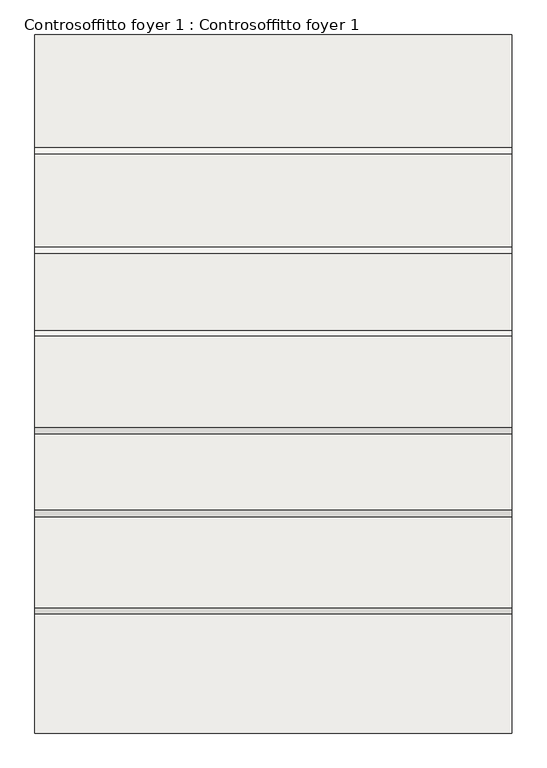
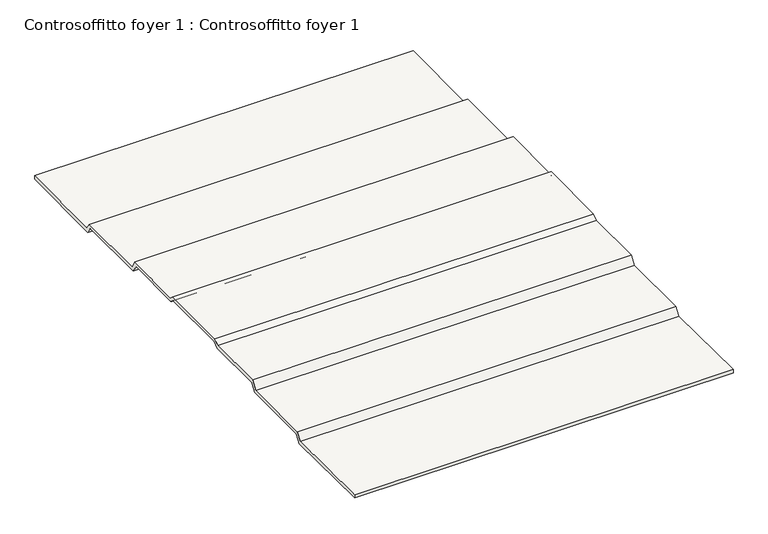
"""IFC4 building model written with IfcOpenShell, lengths in millimetres: slab geometry, Controsoffitto foyer 1 : Controsoffitto foyer 1."""

import ifcopenshell
import ifcopenshell.guid

model = None  # the IFC model being written
_history = None  # IfcOwnerHistory: only IFC2X3 demands one
_inside = {}  # id of a spatial element -> (the spatial element, [elements in it])
_under = {}  # id of a project, library or spatial element -> (it, [spatial elements below it])
_declared = {}  # id of a project -> (the project, [libraries it declares])
_typed = {}  # id of a type object -> (the type object, [elements of that type])
_made_of = {}  # id of a material, layer set ... -> (it, [elements and type objects made of it])


def new_model(schema):
    """Start an empty IFC model of exactly this schema.

    Asked for "IFC4X3", IfcOpenShell would pick the latest addendum, in which some entities
    have other attributes; the version numbers below select the first issue.
    IFC2X3 requires an IfcOwnerHistory on every rooted entity: one is made here for all.
    """
    global model, _history
    if schema == "IFC4X3":
        model = ifcopenshell.file(schema_version=(4, 3, 0, 0))
    else:
        model = ifcopenshell.file(schema=schema)
    _inside.clear()
    _under.clear()
    _declared.clear()
    _typed.clear()
    _made_of.clear()
    _history = None
    if model.schema == "IFC2X3":
        org = make("IfcOrganization", Name="unknown")
        user = make(
            "IfcPersonAndOrganization",
            ThePerson=make("IfcPerson", FamilyName="unknown"),
            TheOrganization=org,
        )
        app = make(
            "IfcApplication",
            ApplicationDeveloper=org,
            Version="unknown",
            ApplicationFullName="unknown",
            ApplicationIdentifier="unknown",
        )
        _history = make(
            "IfcOwnerHistory",
            OwningUser=user,
            OwningApplication=app,
            ChangeAction="ADDED",
            CreationDate=0,
        )
    return model


def make(cls, **values):
    """One entity of the class cls with the attributes given. An attribute that is None is left unset."""
    return model.create_entity(
        cls, **{name: value for name, value in values.items() if value is not None}
    )


def rooted(cls, **values):
    """An entity with a GlobalId (a new one), such as an element, a storey or a relation."""
    return make(cls, GlobalId=ifcopenshell.guid.new(), OwnerHistory=_history, **values)


def si_unit(unit_type, name, prefix=None):
    """IfcSIUnit, for example si_unit("LENGTHUNIT", "METRE", prefix="MILLI")."""
    return make("IfcSIUnit", UnitType=unit_type, Prefix=prefix, Name=name)


def assignment(units):
    """IfcUnitAssignment: the units of a project."""
    return None if units is None else make("IfcUnitAssignment", Units=units)


def point(xyz):
    """IfcCartesianPoint."""
    return None if xyz is None else make("IfcCartesianPoint", Coordinates=xyz)


def direction(xyz):
    """IfcDirection."""
    return None if xyz is None else make("IfcDirection", DirectionRatios=xyz)


def frame(location, z_axis=None, x_axis=None):
    """IfcAxis2Placement3D, a coordinate frame: its origin and axes. An axis left out is left unset."""
    return make(
        "IfcAxis2Placement3D",
        Location=point(location),
        Axis=direction(z_axis),
        RefDirection=direction(x_axis),
    )


def origin():
    """The frame at (0, 0, 0) with its axes left unset."""
    return frame((0.0, 0.0, 0.0))


def place(relative_to, where):
    """IfcLocalPlacement: puts the frame where relative to a parent placement (None: the world)."""
    return make(
        "IfcLocalPlacement", PlacementRelTo=relative_to, RelativePlacement=where
    )


def context(
    kind, dimensions, precision=None, world=None, true_north=None, identifier=None
):
    """IfcGeometricRepresentationContext, for example the 3D "Model" context."""
    return make(
        "IfcGeometricRepresentationContext",
        ContextIdentifier=identifier,
        ContextType=kind,
        CoordinateSpaceDimension=dimensions,
        Precision=precision,
        WorldCoordinateSystem=world,
        TrueNorth=true_north,
    )


def project(units=None, contexts=None):
    """IfcProject with its units and contexts."""
    return rooted(
        "IfcProject",
        Name="project",
        RepresentationContexts=contexts,
        UnitsInContext=assignment(units),
    )


def spatial(cls, under=None, at=None, **own):
    """A site, building, storey or space (cls), placed at a placement, below another one or the project."""
    s = rooted(cls, ObjectPlacement=at, **own)
    if under is not None:
        _under.setdefault(under.id(), (under, []))[1].append(s)
    return s


def polyline(points):
    """IfcPolyline through the points."""
    return make("IfcPolyline", Points=[point(p) for p in points])


def outline(outer, holes=None, kind="AREA"):
    """IfcArbitraryClosedProfileDef: a profile drawn as a closed curve; with holes, ...WithVoids."""
    if holes is None:
        return make("IfcArbitraryClosedProfileDef", ProfileType=kind, OuterCurve=outer)
    return make(
        "IfcArbitraryProfileDefWithVoids",
        ProfileType=kind,
        OuterCurve=outer,
        InnerCurves=holes,
    )


def extrude(swept, where, along, depth):
    """IfcExtrudedAreaSolid: the profile swept, set in the frame where, extruded along a direction by depth."""
    return make(
        "IfcExtrudedAreaSolid",
        SweptArea=swept,
        Position=where,
        ExtrudedDirection=direction(along),
        Depth=depth,
    )


def shape(context_of_items, identifier, shape_type, items):
    """IfcShapeRepresentation: the items that make up one representation, for example the "Body"."""
    return make(
        "IfcShapeRepresentation",
        ContextOfItems=context_of_items,
        RepresentationIdentifier=identifier,
        RepresentationType=shape_type,
        Items=items,
    )


def source(mapping_origin, context_of_items, identifier, shape_type, items):
    """IfcRepresentationMap: a shape defined once, which mapped items show again and again."""
    return make(
        "IfcRepresentationMap",
        MappingOrigin=mapping_origin,
        MappedRepresentation=shape(context_of_items, identifier, shape_type, items),
    )


def transform(
    local_origin,
    x_axis=None,
    y_axis=None,
    z_axis=None,
    scale=None,
    scale2=None,
    scale3=None,
    uniform=True,
):
    """IfcCartesianTransformationOperator3D, or its non-uniform kind. x_axis, y_axis, z_axis: its Axis1, 2, 3."""
    if uniform:
        return make(
            "IfcCartesianTransformationOperator3D",
            Axis1=direction(x_axis),
            Axis2=direction(y_axis),
            LocalOrigin=point(local_origin),
            Scale=scale,
            Axis3=direction(z_axis),
        )
    return make(
        "IfcCartesianTransformationOperator3DnonUniform",
        Axis1=direction(x_axis),
        Axis2=direction(y_axis),
        LocalOrigin=point(local_origin),
        Scale=scale,
        Axis3=direction(z_axis),
        Scale2=scale2,
        Scale3=scale3,
    )


def mapped(mapping_source, mapping_target):
    """IfcMappedItem: shows the shape of a source again, moved by a transform."""
    return make(
        "IfcMappedItem", MappingSource=mapping_source, MappingTarget=mapping_target
    )


def made_of(thing, what):
    """Note that an element or type object is made of a material, layer set ...; save() writes the relation."""
    if what is not None:
        _made_of.setdefault(what.id(), (what, []))[1].append(thing)
    return thing


def element(
    cls,
    number,
    at=None,
    inside=None,
    cuts=None,
    type_object=None,
    material=None,
    context=None,
    identifier="Body",
    shape_type=None,
    held_by="IfcProductDefinitionShape",
    body=None,
    shapes=None,
    **own,
):
    """One element of the class cls, such as IfcWall. Its Tag is "e" and its number.

    at: its placement. inside: the storey or other place that contains it. cuts: it is an
    opening in that element (IfcRelVoidsElement). A single representation is given by context,
    identifier, shape_type and body (its items); several are given by shapes. held_by: the class
    of the entity that holds the representations. save() writes the other relations.
    """
    e = rooted(cls, Tag="e%d" % number, ObjectPlacement=at, **own)
    if body is not None:
        shapes = [shape(context, identifier, shape_type, body)]
    if shapes is not None:
        e.Representation = make(held_by, Representations=shapes)
    if inside is not None:
        _inside.setdefault(inside.id(), (inside, []))[1].append(e)
    if cuts is not None:
        rooted(
            "IfcRelVoidsElement", RelatingBuildingElement=cuts, RelatedOpeningElement=e
        )
    if type_object is not None:
        _typed.setdefault(type_object.id(), (type_object, []))[1].append(e)
    return made_of(e, material)


def aggregate(whole, parts):
    """IfcRelAggregates: a whole, such as a stair, and the parts it consists of."""
    return rooted("IfcRelAggregates", RelatingObject=whole, RelatedObjects=parts)


def save(model, path):
    """Write the relations noted so far, then the file.

    IfcRelAggregates (storeys below a building ...), IfcRelContainedInSpatialStructure (elements
    in a storey), IfcRelDefinesByType, IfcRelAssociatesMaterial and IfcRelDeclares: one each for
    every whole, place, type object, material and project.
    """
    for whole, parts in _under.values():
        aggregate(whole, parts)
    for where, things in _inside.values():
        rooted(
            "IfcRelContainedInSpatialStructure",
            RelatedElements=things,
            RelatingStructure=where,
        )
    for kind, things in _typed.values():
        rooted("IfcRelDefinesByType", RelatedObjects=things, RelatingType=kind)
    for what, things in _made_of.values():
        rooted("IfcRelAssociatesMaterial", RelatedObjects=things, RelatingMaterial=what)
    for by, libraries in _declared.values():
        rooted("IfcRelDeclares", RelatingContext=by, RelatedDefinitions=libraries)
    model.write(path)


def controsoffitto_foyer_1_controsoffitto_foyer_1_f8ceb802(model_context):
    return source(origin(), model_context, "Body", "SweptSolid", [
        extrude(outline(polyline([(117104.8735054, 6355.2048668), (115983.1217872, 6366.5306895), (115983.1217872, 6406.5327282), (117084.1984172, 6395.4156526), (117143.4118231, 6479.9811602), (117981.4314035, 6479.9811602), (118041.2127775, 6572.0364035), (118745.6564781, 6568.2960891), (118802.1674539, 6615.714428), (119655.3948131, 6618.9010951), (119705.1585665, 6577.1443479), (120416.8031117, 6587.1514266), (120474.0771681, 6491.8313895), (121337.6582474, 6491.8313895), (121393.1758745, 6412.5440011), (122434.3735527, 6425.2721394), (122434.3735527, 6385.2691507), (121372.5319906, 6372.2886509), (121316.8355654, 6451.8313895), (120451.446257, 6451.8313895), (120394.3641688, 6546.8319377), (119690.8443523, 6536.9391083), (119640.9008489, 6578.8466835), (118816.7910204, 6575.7687657), (118760.1230748, 6528.2187134), (118062.8560114, 6531.9209228), (118003.1496315, 6439.9811602), (117164.2345051, 6439.9811602), (117104.8735054, 6355.2048668)])), frame((7232.8820579, 0.0, 0.0), z_axis=(1.0, 0.0, 0.0), x_axis=(0.0, 1.0, 0.0)), (0.0, 0.0, 1.0), 4406.1618026),
    ])


if __name__ == "__main__":
    model = new_model("IFC4")
    model_context = context("Model", 3, world=origin())
    ifc_project = project(units=[si_unit("LENGTHUNIT", "METRE", prefix="MILLI")], contexts=[model_context])
    site = spatial("IfcSite", under=ifc_project)
    building = spatial("IfcBuilding", under=site)
    placement = place(None, origin())
    controsoffitto_foyer_1_controsoffitto_foyer_1_shape = controsoffitto_foyer_1_controsoffitto_foyer_1_f8ceb802(model_context)
    element("IfcSlab", 1, ObjectType="Controsoffitto foyer 1 : Controsoffitto foyer 1", at=placement, inside=building, context=model_context, shape_type="MappedRepresentation", body=[
        mapped(controsoffitto_foyer_1_controsoffitto_foyer_1_shape, transform((0.0, 0.0, 0.0), x_axis=(1.0, 0.0, 0.0), y_axis=(0.0, 1.0, 0.0), z_axis=(0.0, 0.0, 1.0))),
    ])
    save(model, "model.ifc")
